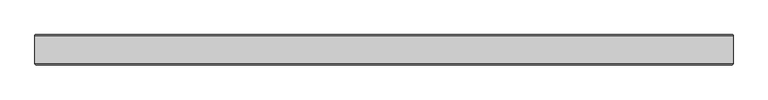
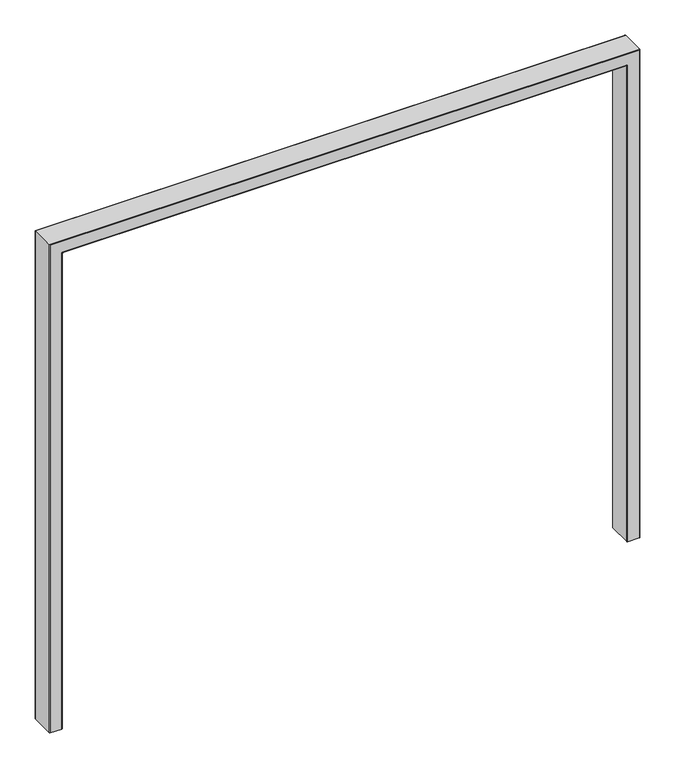
"""IFC4 building model written with IfcOpenShell, lengths in millimetres: proxy geometry."""

from ifc_helpers import new_model, si_unit, frame, origin, place, context, project, spatial, circle_curve, ellipse_curve, source, transform, mapped, element, save
from ifc_brep_helpers import plane_surface, cylinder_surface, advanced_brep


def generic_models_83c9d4de(model_context):
    return source(origin(), model_context, "Body", "AdvancedBrep", [
        advanced_brep(
        [(-882.65, -35.854936, 0.0), (-882.65, 35.854936, 0.0), (-880.404936, 38.1, 0.0), (-846.795064, 38.1, 0.0), (-844.55, 35.854936, 0.0), (-844.55, -35.854936, 0.0), (-846.795064, -38.1, 0.0), (-880.404936, -38.1, 0.0), (-880.404936, -38.1, 1540.804936), (-882.65, -35.854936, 1543.05), (-846.795064, -38.1, 1507.195064), (846.795064, -38.1, 1507.195064), (846.795064, -38.1, 0.0), (880.404936, -38.1, 0.0), (880.404936, -38.1, 1540.804936), (-844.55, -35.854936, 1504.95), (-844.55, 35.854936, 1504.95), (-846.795064, 38.1, 1507.195064), (-880.404936, 38.1, 1540.804936), (880.404936, 38.1, 1540.804936), (880.404936, 38.1, 0.0), (846.795064, 38.1, 0.0), (846.795064, 38.1, 1507.195064), (-882.65, 35.854936, 1543.05), (882.65, -35.854936, 1543.05), (844.55, -35.854936, 1504.95), (844.55, 35.854936, 1504.95), (882.65, 35.854936, 1543.05), (882.65, -35.854936, 0.0), (844.55, -35.854936, 0.0), (844.55, 35.854936, 0.0), (882.65, 35.854936, 0.0)],
        [
            (0, 1),
            (1, 2, circle_curve(frame((-880.404936, 35.854936, 0.0), z_axis=(0.0, 0.0, -1.0), x_axis=(1.0, 0.0, 0.0)), 2.245064)),
            (2, 3),
            (3, 4, circle_curve(frame((-846.795064, 35.854936, 0.0), z_axis=(0.0, 0.0, -1.0), x_axis=(-1.0, 0.0, 0.0)), 2.245064)),
            (4, 5),
            (5, 6, circle_curve(frame((-846.795064, -35.854936, 0.0), z_axis=(0.0, 0.0, -1.0), x_axis=(-1.0, 0.0, 0.0)), 2.245064)),
            (6, 7),
            (7, 0, circle_curve(frame((-880.404936, -35.854936, 0.0), z_axis=(0.0, 0.0, -1.0), x_axis=(1.0, 0.0, 0.0)), 2.245064)),
            (7, 8),
            (8, 9, ellipse_curve(frame((-880.404936, -35.854936, 1540.804936), z_axis=(-0.7071067811865486, 0.0, -0.7071067811865464), x_axis=(0.7071067811865462, 0.0, -0.7071067811865488)), 3.175, 2.245064)),
            (9, 0),
            (6, 10),
            (10, 11),
            (11, 12),
            (12, 13),
            (13, 14),
            (14, 8),
            (5, 15),
            (15, 10, ellipse_curve(frame((-846.795064, -35.854936, 1507.195064), z_axis=(-0.7071067811865464, 0.0, -0.7071067811865486), x_axis=(0.7071067811865483, 0.0, -0.7071067811865466)), 3.175, 2.245064)),
            (4, 16),
            (16, 15),
            (3, 17),
            (17, 16, ellipse_curve(frame((-846.795064, 35.854936, 1507.195064), z_axis=(-0.7071067811865464, 0.0, -0.7071067811865486), x_axis=(0.7071067811865483, 0.0, -0.7071067811865466)), 3.175, 2.245064)),
            (2, 18),
            (18, 19),
            (19, 20),
            (20, 21),
            (21, 22),
            (22, 17),
            (1, 23),
            (23, 18, ellipse_curve(frame((-880.404936, 35.854936, 1540.804936), z_axis=(-0.7071067811865486, 0.0, -0.7071067811865464), x_axis=(0.7071067811865462, 0.0, -0.7071067811865488)), 3.175, 2.245064)),
            (9, 23),
            (14, 24, ellipse_curve(frame((880.404936, -35.854936, 1540.804936), z_axis=(-0.7071067811865464, 0.0, 0.7071067811865486), x_axis=(-0.7071067811865487, 0.0, -0.7071067811865462)), 3.175, 2.245064)),
            (24, 9),
            (15, 25),
            (25, 11, ellipse_curve(frame((846.795064, -35.854936, 1507.195064), z_axis=(-0.7071067811865487, 0.0, 0.7071067811865462), x_axis=(-0.7071067811865465, 0.0, -0.7071067811865485)), 3.175, 2.245064)),
            (16, 26),
            (26, 25),
            (22, 26, ellipse_curve(frame((846.795064, 35.854936, 1507.195064), z_axis=(-0.7071067811865487, 0.0, 0.7071067811865462), x_axis=(-0.7071067811865465, 0.0, -0.7071067811865485)), 3.175, 2.245064)),
            (23, 27),
            (27, 19, ellipse_curve(frame((880.404936, 35.854936, 1540.804936), z_axis=(-0.7071067811865464, 0.0, 0.7071067811865486), x_axis=(-0.7071067811865487, 0.0, -0.7071067811865462)), 3.175, 2.245064)),
            (24, 27),
            (28, 13, circle_curve(frame((880.404936, -35.854936, 0.0), z_axis=(0.0, 0.0, -1.0), x_axis=(-1.0, 0.0, 0.0)), 2.245064)),
            (12, 29, circle_curve(frame((846.795064, -35.854936, 0.0), z_axis=(0.0, 0.0, -1.0), x_axis=(1.0, 0.0, 0.0)), 2.245064)),
            (29, 30),
            (30, 21, circle_curve(frame((846.795064, 35.854936, 0.0), z_axis=(0.0, 0.0, -1.0), x_axis=(1.0, 0.0, 0.0)), 2.245064)),
            (20, 31, circle_curve(frame((880.404936, 35.854936, 0.0), z_axis=(0.0, 0.0, -1.0), x_axis=(-1.0, 0.0, 0.0)), 2.245064)),
            (31, 28),
            (28, 24),
            (25, 29),
            (26, 30),
            (27, 31),
        ],
        [
            plane_surface(frame((-863.6, 0.0, 0.0), z_axis=(0.0, 0.0, -1.0), x_axis=(0.0, 1.0, 0.0))),
            cylinder_surface(frame((-880.404936, -35.854936, 0.0), z_axis=(0.0, 0.0, -1.0), x_axis=(1.0, 0.0, 0.0)), 2.245064),
            plane_surface(frame((-880.404936, -38.1, 0.0), z_axis=(0.0, -1.0, 0.0), x_axis=(0.0, 0.0, 1.0))),
            cylinder_surface(frame((-846.795064, -35.854936, 0.0), z_axis=(0.0, 0.0, -1.0), x_axis=(-1.0, 0.0, 0.0)), 2.245064),
            plane_surface(frame((-844.55, -35.854936, 0.0), z_axis=(1.0, 0.0, 0.0), x_axis=(0.0, 0.0, 1.0))),
            cylinder_surface(frame((-846.795064, 35.854936, 0.0), z_axis=(0.0, 0.0, -1.0), x_axis=(-1.0, 0.0, 0.0)), 2.245064),
            plane_surface(frame((-846.795064, 38.1, 0.0), z_axis=(0.0, 1.0, 0.0), x_axis=(0.0, 0.0, 1.0))),
            cylinder_surface(frame((-880.404936, 35.854936, 0.0), z_axis=(0.0, 0.0, -1.0), x_axis=(1.0, 0.0, 0.0)), 2.245064),
            plane_surface(frame((-882.65, 35.854936, 0.0), z_axis=(-1.0, 0.0, 0.0), x_axis=(0.0, 0.0, 1.0))),
            cylinder_surface(frame((-863.6, -35.854936, 1540.804936), z_axis=(-1.0, 0.0, 0.0), x_axis=(0.0, 0.0, -1.0)), 2.245064),
            cylinder_surface(frame((-863.6, -35.854936, 1507.195064), z_axis=(-1.0, 0.0, 0.0), x_axis=(0.0, 0.0, 1.0)), 2.245064),
            plane_surface(frame((-844.55, -35.854936, 1504.95), z_axis=(0.0, 0.0, -1.0), x_axis=(1.0, 0.0, 0.0))),
            cylinder_surface(frame((-863.6, 35.854936, 1507.195064), z_axis=(-1.0, 0.0, 0.0), x_axis=(0.0, 0.0, 1.0)), 2.245064),
            cylinder_surface(frame((-863.6, 35.854936, 1540.804936), z_axis=(-1.0, 0.0, 0.0), x_axis=(0.0, 0.0, -1.0)), 2.245064),
            plane_surface(frame((-882.65, 35.854936, 1543.05), z_axis=(0.0, 0.0, 1.0), x_axis=(1.0, 0.0, 0.0))),
            plane_surface(frame((863.6, 0.0, 0.0), z_axis=(0.0, 0.0, -1.0), x_axis=(0.0, 1.0, 0.0))),
            cylinder_surface(frame((880.404936, -35.854936, 1524.0), z_axis=(0.0, 0.0, 1.0), x_axis=(-1.0, 0.0, 0.0)), 2.245064),
            cylinder_surface(frame((846.795064, -35.854936, 1524.0), z_axis=(0.0, 0.0, 1.0), x_axis=(1.0, 0.0, 0.0)), 2.245064),
            plane_surface(frame((844.55, -35.854936, 1504.95), z_axis=(-1.0, 0.0, 0.0), x_axis=(0.0, 0.0, -1.0))),
            cylinder_surface(frame((846.795064, 35.854936, 1524.0), z_axis=(0.0, 0.0, 1.0), x_axis=(1.0, 0.0, 0.0)), 2.245064),
            cylinder_surface(frame((880.404936, 35.854936, 1524.0), z_axis=(0.0, 0.0, 1.0), x_axis=(-1.0, 0.0, 0.0)), 2.245064),
            plane_surface(frame((882.65, 35.854936, 1543.05), z_axis=(1.0, 0.0, 0.0), x_axis=(0.0, 0.0, -1.0))),
        ],
        [
            (0, [[1, 2, 3, 4, 5, 6, 7, 8]]),
            (1, [[9, 10, 11, -8]]),
            (2, [[12, 13, 14, 15, 16, 17, -9, -7]]),
            (3, [[18, 19, -12, -6]]),
            (4, [[20, 21, -18, -5]]),
            (5, [[22, 23, -20, -4]]),
            (6, [[24, 25, 26, 27, 28, 29, -22, -3]]),
            (7, [[30, 31, -24, -2]]),
            (8, [[-11, 32, -30, -1]]),
            (9, [[-17, 33, 34, -10]]),
            (10, [[35, 36, -13, -19]]),
            (11, [[37, 38, -35, -21]]),
            (12, [[-29, 39, -37, -23]]),
            (13, [[40, 41, -25, -31]]),
            (14, [[-34, 42, -40, -32]]),
            (15, [[43, -15, 44, 45, 46, -27, 47, 48]]),
            (16, [[-16, -43, 49, -33]]),
            (17, [[50, -44, -14, -36]]),
            (18, [[51, -45, -50, -38]]),
            (19, [[-28, -46, -51, -39]]),
            (20, [[52, -47, -26, -41]]),
            (21, [[-49, -48, -52, -42]]),
        ],
    ),
    ])


if __name__ == "__main__":
    model = new_model("IFC4")
    model_context = context("Model", 3, world=origin())
    ifc_project = project(units=[si_unit("LENGTHUNIT", "METRE", prefix="MILLI")], contexts=[model_context])
    site = spatial("IfcSite", under=ifc_project)
    building = spatial("IfcBuilding", under=site)
    placement = place(None, origin())
    generic_models_shape = generic_models_83c9d4de(model_context)
    element("IfcBuildingElementProxy", 1, Name="Generic Models", at=placement, inside=building, context=model_context, shape_type="MappedRepresentation", body=[
        mapped(generic_models_shape, transform((0.0, 0.0, 0.0), x_axis=(1.0, 0.0, 0.0), y_axis=(0.0, 1.0, 0.0), z_axis=(0.0, 0.0, 1.0))),
    ])
    save(model, "model.ifc")
